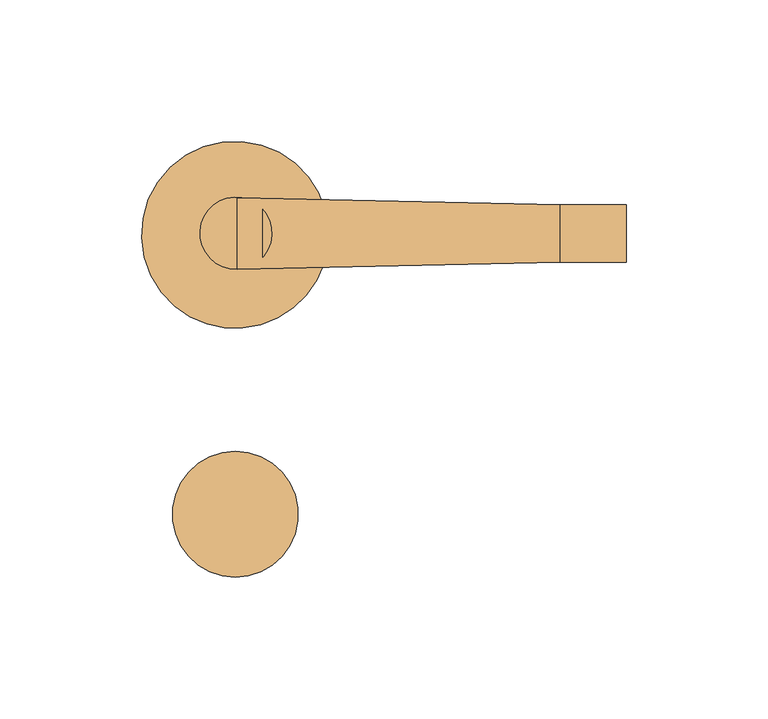
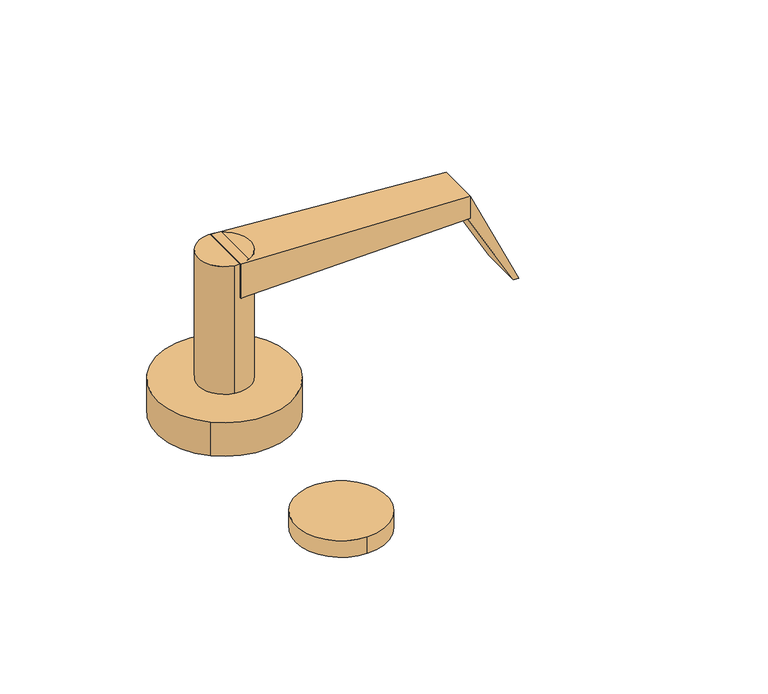
"""IFC4 building model written with IfcOpenShell, lengths in millimetres: door geometry."""

from ifc_helpers import new_model, si_unit, point, frame, frame_2d, origin, origin_with_axes, place, context, project, spatial, polyline, circle_curve, trimmed, segment, composite_curve, outline, extrude, source, transform, mapped, element, save
from ifc_brep_helpers import plane_surface, spline_surface, advanced_brep


def door_708a980c(model_context):
    return source(origin(), model_context, "Body", "SolidModel", [
        extrude(outline(composite_curve([segment(trimmed(circle_curve(frame_2d((-1.5048449, -99.4936932)), 22.212872), [point((-1.5048449, -121.7065651))], [point((-1.5048449, -77.2808212))], False, "CARTESIAN"), True, "CONTINUOUS"), segment(trimmed(circle_curve(frame_2d((-1.5048449, -99.4936932)), 22.212872), [point((-1.5048449, -77.2808212))], [point((-1.5048449, -121.7065651))], False, "CARTESIAN"), True, "CONTINUOUS")], self_intersect=False)), origin_with_axes(), (0.0, 0.0, 1.0), 8.636),
        advanced_brep(
        [(113.0826159, 9.8661661, 77.089), (113.0826159, -10.4783486, 77.089), (113.0826159, -10.4783486, 65.659), (113.0826159, 9.8661661, 65.659), (-0.79375, 12.3783123, 83.439), (-0.79375, 12.378509, 65.659), (-0.79375, -13.0089229, 65.659), (-0.79375, -13.0118705, 83.439)],
        [
            (0, 1),
            (1, 2),
            (2, 3),
            (3, 0),
            (4, 5),
            (5, 6),
            (6, 7),
            (7, 4),
            (4, 0),
            (3, 5),
            (2, 6),
            (1, 7),
        ],
        [
            plane_surface(frame((113.0826159, -0.3060912, 71.374), z_axis=(1.0, 0.0, 0.0), x_axis=(0.0, 1.0, 0.0))),
            plane_surface(frame((-0.79375, -0.315993, 74.549), z_axis=(-1.0000000000000002, 0.0, 0.0), x_axis=(0.0, 1.1064247386625775e-05, -0.9999999999387913))),
            spline_surface(1, 1, [[(-0.79375, 12.3783123, 83.439), (-0.79375, 12.378509, 65.659)], [(113.0826159, 9.8661661, 77.089), (113.0826159, 9.8661661, 65.659)]], [2, 2], [2, 2], [0.0, 1.0], [0.0, 1.0]),
            plane_surface(frame((-0.79375, -0.315207, 65.659), z_axis=(0.0, 0.0, -1.0), x_axis=(0.0, -1.0, 0.0))),
            spline_surface(1, 1, [[(-0.79375, -13.0089229, 65.659), (-0.79375, -13.0118705, 83.439)], [(113.0826159, -10.4783486, 65.659), (113.0826159, -10.4783486, 77.089)]], [2, 2], [2, 2], [0.0, 1.0], [0.0, 1.0]),
            plane_surface(frame((-0.79375, -0.3167791, 83.439), z_axis=(0.05567573642750613, 0.0, 0.9984489032360419), x_axis=(0.0, 1.0, 0.0))),
        ],
        [
            (0, [[1, 2, 3, 4]]),
            (1, [[5, 6, 7, 8]]),
            (2, [[9, -4, 10, -5]]),
            (3, [[-10, -3, 11, -6]]),
            (4, [[-11, -2, 12, -7]]),
            (5, [[-12, -1, -9, -8]]),
        ],
    ),
        extrude(outline(composite_curve([segment(trimmed(circle_curve(frame_2d((-1.3064074, -0.1984375)), 12.7), [point((-3.427265, -12.7200973))], [point((0.8144502, 12.3232223))], False, "CARTESIAN"), True, "CONTINUOUS"), segment(trimmed(circle_curve(frame_2d((-1.3064074, -0.1984375)), 12.7), [point((0.8144502, 12.3232223))], [point((-3.427265, -12.7200973))], False, "CARTESIAN"), True, "CONTINUOUS")], self_intersect=False)), frame((0.0, 0.0, 17.399), z_axis=(0.0, 0.0, 1.0), x_axis=(1.0, 0.0, 0.0)), (0.0, 0.0, 1.0), 66.04),
        extrude(outline(composite_curve([segment(trimmed(circle_curve(frame_2d((-1.6178614, -0.7745191)), 33.02), [point((-22.9508261, -25.9781898))], [point((19.7151032, 24.4291516))], False, "CARTESIAN"), True, "CONTINUOUS"), segment(trimmed(circle_curve(frame_2d((-1.6178614, -0.7745191)), 33.02), [point((19.7151032, 24.4291516))], [point((-22.9508261, -25.9781898))], False, "CARTESIAN"), True, "CONTINUOUS")], self_intersect=False)), origin_with_axes(), (0.0, 0.0, 1.0), 17.399),
        extrude(outline(polyline([(77.089, 113.0826159), (65.659, 113.0826159), (65.659, 111.7545147), (26.5862634, 134.0924288), (26.5862634, 136.6324288), (77.089, 113.0826159)])), frame((0.0, -10.4783486, 0.0), z_axis=(0.0, 1.0, 0.0), x_axis=(0.0, 0.0, 1.0)), (0.0, 0.0, 1.0), 20.32),
    ])


if __name__ == "__main__":
    model = new_model("IFC4")
    model_context = context("Model", 3, world=origin())
    ifc_project = project(units=[si_unit("LENGTHUNIT", "METRE", prefix="MILLI")], contexts=[model_context])
    site = spatial("IfcSite", under=ifc_project)
    building = spatial("IfcBuilding", under=site)
    placement = place(None, origin())
    door_shape = door_708a980c(model_context)
    element("IfcDoor", 1, at=placement, inside=building, context=model_context, shape_type="MappedRepresentation", body=[
        mapped(door_shape, transform((0.0, 0.0, 0.0), x_axis=(1.0, 0.0, 0.0), y_axis=(0.0, 1.0, 0.0), z_axis=(0.0, 0.0, 1.0))),
    ])
    save(model, "model.ifc")
